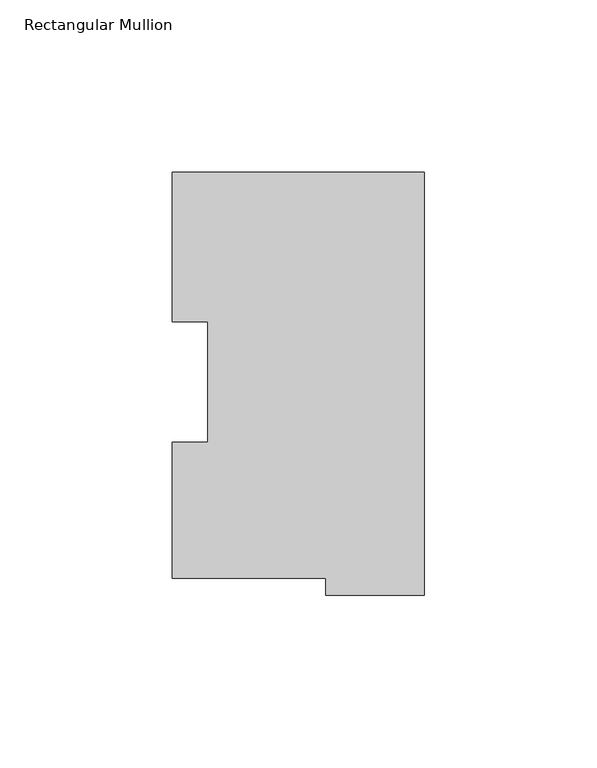
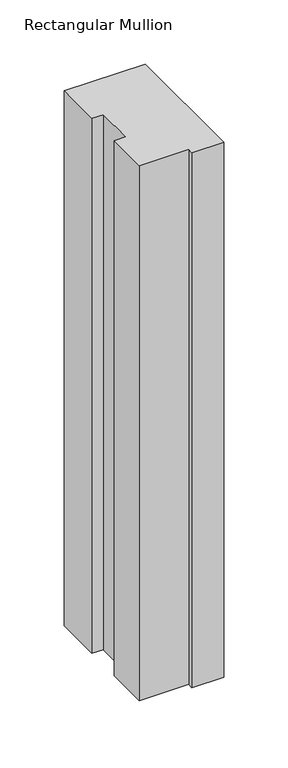
"""IFC4 building model written with IfcOpenShell, lengths in millimetres: member geometry, Rectangular Mullion."""

from ifc_helpers import new_model, si_unit, frame, origin, place, context, project, spatial, polyline, outline, extrude, source, transform, mapped, element, save


def rectangular_mullion_721a814c(model_context):
    return source(origin(), model_context, "Body", "SweptSolid", [
        extrude(outline(polyline([(-73.025, 117.827425), (0.0, 117.827425), (0.0, -4.778375), (-28.575, -4.778375), (-28.575, 0.225425), (-73.025, 0.225425), (-73.025, 39.646225), (-62.7126, 39.646225), (-62.7126, 74.596625), (-73.025, 74.596625), (-73.025, 117.827425)])), frame((0.0, 0.0, -509.9062991), z_axis=(0.0, 0.0, 1.0), x_axis=(1.0, 0.0, 0.0)), (0.0, 0.0, 1.0), 509.9062991),
    ])


if __name__ == "__main__":
    model = new_model("IFC4")
    model_context = context("Model", 3, world=origin())
    ifc_project = project(units=[si_unit("LENGTHUNIT", "METRE", prefix="MILLI")], contexts=[model_context])
    site = spatial("IfcSite", under=ifc_project)
    building = spatial("IfcBuilding", under=site)
    placement = place(None, origin())
    rectangular_mullion_shape = rectangular_mullion_721a814c(model_context)
    element("IfcMember", 1, ObjectType="Rectangular Mullion", at=placement, inside=building, context=model_context, shape_type="MappedRepresentation", body=[
        mapped(rectangular_mullion_shape, transform((0.0, 0.0, 0.0), x_axis=(1.0, 0.0, 0.0), y_axis=(0.0, 1.0, 0.0), z_axis=(0.0, 0.0, 1.0))),
    ])
    save(model, "model.ifc")
